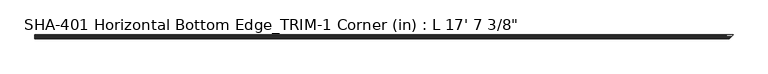
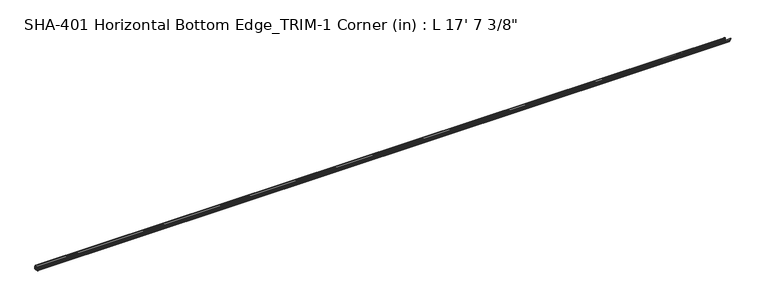
"""IFC4 building model written with IfcOpenShell, lengths in millimetres: proxy geometry."""

from ifc_helpers import new_model, si_unit, frame, origin, place, context, project, spatial, polyline, circle_curve, ellipse_curve, source, transform, mapped, element, save
from ifc_brep_helpers import plane_surface, cylinder_surface, revolved_surface, advanced_brep


def proxy_5b510027(model_context):
    return source(origin(), model_context, "Body", "AdvancedBrep", [
        advanced_brep(
        [(-5368.925, -7.2036308, 29.6006869), (-5368.925, -5.392657, 19.0246), (-5368.925, 0.0, 19.0246), (-5368.925, 0.0, 0.0), (-5368.925, -13.8696178, 0.0), (-5368.925, -28.575, 0.0), (-5368.925, -28.575, 1.5748), (-5368.925, -24.7045919, 1.5748), (-5368.925, -21.5549919, 1.5748), (-5368.925, -17.018, 1.5748), (-5368.925, -13.9230434, 1.905), (-5368.925, -3.81, 1.905), (-5368.925, -1.905, 3.81), (-5368.925, -1.905, 15.2146), (-5368.925, -3.81, 17.1196), (-5368.925, -9.525, 17.1196), (-5368.925, -9.525, 29.5346031), (-50.8, -9.525, 29.5346031), (-50.8, -7.2036308, 29.6006869), (-50.8, -9.525, 17.1196), (-50.8, -3.81, 17.1196), (-50.8, -1.905, 15.2146), (-50.8, -1.905, 3.81), (-50.8, -3.81, 1.905), (-13.9230434, -13.9230434, 1.905), (0.0, 0.0, 1.905), (-50.8, 0.0, 1.905), (-17.018, -17.018, 1.5748), (-21.5549919, -21.5549919, 1.5748), (-24.7045919, -24.7045919, 1.5748), (-28.575, -28.575, 1.5748), (-28.575, -28.575, 0.0), (-13.8696178, -13.8696178, 0.0), (0.0, 0.0, 0.0), (-50.8, 0.0, 19.0246), (-50.8, -5.392657, 19.0246)],
        [
            (0, 1),
            (1, 2),
            (2, 3),
            (3, 4),
            (4, 5),
            (5, 6),
            (6, 7),
            (7, 8, circle_curve(frame((-5368.925, -23.1297919, 1.5748), z_axis=(-1.0, 0.0, 0.0), x_axis=(0.0, 1.0, 0.0)), 1.5748)),
            (8, 9),
            (9, 10, circle_curve(frame((-5368.925, -15.4432, 1.4838146), z_axis=(-1.0, 0.0, 0.0), x_axis=(0.0, 1.0, 0.0)), 1.5774262)),
            (10, 11),
            (11, 12, circle_curve(frame((-5368.925, -3.81, 3.81), z_axis=(1.0, 0.0, 0.0), x_axis=(0.0, 1.0, 0.0)), 1.905)),
            (12, 13),
            (13, 14, circle_curve(frame((-5368.925, -3.81, 15.2146), z_axis=(1.0, 0.0, 0.0), x_axis=(0.0, 1.0, 0.0)), 1.905)),
            (14, 15),
            (15, 16),
            (16, 0, circle_curve(frame((-5368.925, -8.3323235, 28.4438454), z_axis=(-1.0, 0.0, 0.0), x_axis=(0.0, 1.0, 0.0)), 1.6162393)),
            (16, 17),
            (17, 18, circle_curve(frame((-50.8, -8.3323235, 28.4438454), z_axis=(-1.0, 0.0, 0.0), x_axis=(0.0, 1.0, 0.0)), 1.6162393)),
            (18, 0),
            (15, 19),
            (19, 17),
            (14, 20),
            (20, 19),
            (13, 21),
            (21, 20, circle_curve(frame((-50.8, -3.81, 15.2146), z_axis=(1.0, 0.0, 0.0), x_axis=(0.0, 1.0, 0.0)), 1.905)),
            (12, 22),
            (22, 21),
            (11, 23),
            (23, 22, circle_curve(frame((-50.8, -3.81, 3.81), z_axis=(1.0, 0.0, 0.0), x_axis=(0.0, 1.0, 0.0)), 1.905)),
            (10, 24),
            (24, 25),
            (25, 26),
            (26, 23),
            (9, 27),
            (27, 24, ellipse_curve(frame((-15.4432, -15.4432, 1.4838146), z_axis=(-0.7071067811865471, 0.707106781186548, 0.0), x_axis=(0.7071067811865478, 0.7071067811865471, 0.0)), 2.2308175, 1.5774262)),
            (8, 28),
            (28, 27),
            (7, 29),
            (29, 28, ellipse_curve(frame((-23.1297919, -23.1297919, 1.5748), z_axis=(-0.7071067811865471, 0.707106781186548, 0.0), x_axis=(0.7071067811865478, 0.7071067811865471, 0.0)), 2.2271035, 1.5748)),
            (6, 30),
            (30, 29),
            (5, 31),
            (31, 30),
            (4, 32),
            (32, 31),
            (3, 33),
            (33, 32),
            (2, 34),
            (34, 26),
            (25, 33),
            (1, 35),
            (35, 34),
            (18, 35),
        ],
        [
            plane_surface(frame((-5368.925, -6.7160842, 28.4438454), z_axis=(-1.0, 0.0, 0.0), x_axis=(0.0, 0.0, -1.0))),
            cylinder_surface(frame((-5368.925, -8.3323235, 28.4438454), z_axis=(1.0, 0.0, 0.0), x_axis=(0.0, 1.0, 0.0)), 1.6162393),
            plane_surface(frame((0.0, -9.525, 29.5346031), z_axis=(0.0, -1.0, 0.0), x_axis=(-1.0, 0.0, 0.0))),
            plane_surface(frame((0.0, -9.525, 17.1196), z_axis=(0.0, 0.0, -1.0), x_axis=(-1.0, 0.0, 0.0))),
            revolved_surface(polyline([(-5368.925, -1.905, 15.2146), (-50.80000000000018, -1.905, 15.2146)]), (-5368.925, -3.81, 15.2146), (-1.0, 0.0, 0.0)),
            plane_surface(frame((0.0, -1.905, 15.2146), z_axis=(0.0, -1.0, 0.0), x_axis=(-1.0, 0.0, 0.0))),
            revolved_surface(polyline([(-5368.925, -1.905, 3.81), (-50.80000000000018, -1.905, 3.81)]), (-5368.925, -3.81, 3.81), (-1.0, 0.0, 0.0)),
            plane_surface(frame((0.0, -3.81, 1.905), z_axis=(0.0, 0.0, 1.0), x_axis=(-1.0, 0.0, 0.0))),
            cylinder_surface(frame((-5368.925, -15.4432, 1.4838146), z_axis=(1.0, 0.0, 0.0), x_axis=(0.0, 1.0, 0.0)), 1.5774262),
            plane_surface(frame((0.0, -17.018, 1.5748), z_axis=(0.0, 0.0, 1.0), x_axis=(-1.0, 0.0, 0.0))),
            cylinder_surface(frame((-5368.925, -23.1297919, 1.5748), z_axis=(1.0, 0.0, 0.0), x_axis=(0.0, 1.0, 0.0)), 1.5748),
            plane_surface(frame((0.0, -24.7045919, 1.5748), z_axis=(0.0, 0.0, 1.0), x_axis=(-1.0, 0.0, 0.0))),
            plane_surface(frame((0.0, -28.575, 1.5748), z_axis=(0.0, -1.0, 0.0), x_axis=(-1.0, 0.0, 0.0))),
            plane_surface(frame((0.0, -28.575, 0.0), z_axis=(0.0, 0.0, -1.0), x_axis=(-1.0, 0.0, 0.0))),
            plane_surface(frame((0.0, -13.8696178, 0.0), z_axis=(0.0, 0.0, -1.0), x_axis=(-1.0, 0.0, 0.0))),
            plane_surface(frame((0.0, 0.0, 0.0), z_axis=(0.0, 1.0, 0.0), x_axis=(-1.0, 0.0, 0.0))),
            plane_surface(frame((0.0, 0.0, 19.0246), z_axis=(0.0, 0.0, 1.0), x_axis=(-1.0, 0.0, 0.0))),
            plane_surface(frame((0.0, -5.392657, 19.0246), z_axis=(0.0, 0.985654359399156, 0.1687764314039123), x_axis=(-1.0, 0.0, 0.0))),
            plane_surface(frame((-50.8, -9.525, 30.1944839), z_axis=(1.0, 0.0, 0.0), x_axis=(0.0, 1.0, 0.0))),
            plane_surface(frame((0.0, 0.0, 31.3303492), z_axis=(0.7071067811865471, -0.707106781186548, 0.0), x_axis=(0.0, 0.0, -1.0))),
        ],
        [
            (0, [[1, 2, 3, 4, 5, 6, 7, 8, 9, 10, 11, 12, 13, 14, 15, 16, 17]]),
            (1, [[-17, 18, 19, 20]]),
            (2, [[-16, 21, 22, -18]]),
            (3, [[-15, 23, 24, -21]]),
            (4, [[-14, 25, 26, -23]]),
            (5, [[-13, 27, 28, -25]]),
            (6, [[-12, 29, 30, -27]]),
            (7, [[-11, 31, 32, 33, 34, -29]]),
            (8, [[-10, 35, 36, -31]]),
            (9, [[-9, 37, 38, -35]]),
            (10, [[-8, 39, 40, -37]]),
            (11, [[-7, 41, 42, -39]]),
            (12, [[-6, 43, 44, -41]]),
            (13, [[-5, 45, 46, -43]]),
            (14, [[-4, 47, 48, -45]]),
            (15, [[-3, 49, 50, -33, 51, -47]]),
            (16, [[-2, 52, 53, -49]]),
            (17, [[-1, -20, 54, -52]]),
            (18, [[-34, -50, -53, -54, -19, -22, -24, -26, -28, -30]]),
            (19, [[-32, -36, -38, -40, -42, -44, -46, -48, -51]]),
        ],
    ),
    ])


if __name__ == "__main__":
    model = new_model("IFC4")
    model_context = context("Model", 3, world=origin())
    ifc_project = project(units=[si_unit("LENGTHUNIT", "METRE", prefix="MILLI")], contexts=[model_context])
    site = spatial("IfcSite", under=ifc_project)
    building = spatial("IfcBuilding", under=site)
    placement = place(None, origin())
    proxy_shape = proxy_5b510027(model_context)
    element("IfcBuildingElementProxy", 1, Name="SHA-401 Horizontal Bottom Edge_TRIM-1 Corner (in) : L 17' 7 3/8\"", ObjectType="SHA-401 Horizontal Bottom Edge_TRIM-1 Corner (in) : L 17' 7 3/8\"", at=placement, inside=building, context=model_context, shape_type="MappedRepresentation", body=[
        mapped(proxy_shape, transform((0.0, 0.0, 0.0), x_axis=(1.0, 0.0, 0.0), y_axis=(0.0, 1.0, 0.0), z_axis=(0.0, 0.0, 1.0))),
    ])
    save(model, "model.ifc")
